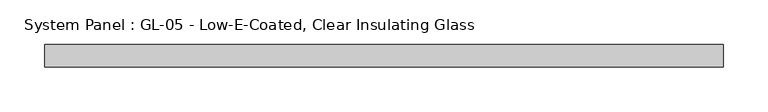
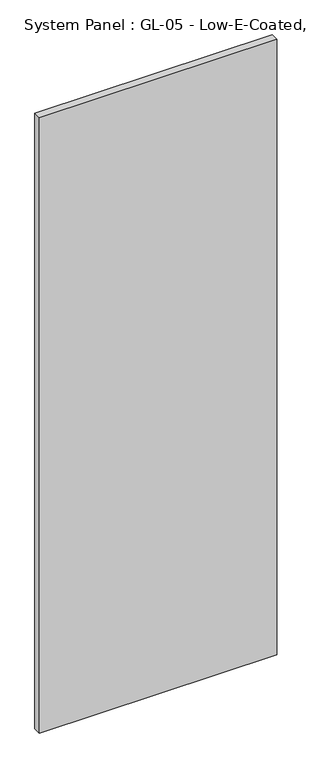
"""IFC4 building model written with IfcOpenShell, lengths in millimetres: plate geometry, System Panel : GL-05 - Low-E-Coated, Clear Insulating Glass."""

from ifc_helpers import new_model, si_unit, origin, origin_with_axes, place, context, project, spatial, polyline, outline, extrude, source, transform, mapped, element, save


def system_panel_gl_05_low_e_coated_clear_insulating_glass_d65ed855(model_context):
    return source(origin(), model_context, "Body", "SweptSolid", [
        extrude(outline(polyline([(381.0, -12.7), (-381.0, -12.7), (-381.0, 12.7), (381.0, 12.7), (381.0, -12.7)])), origin_with_axes(), (0.0, 0.0, 1.0), 2089.15),
    ])


if __name__ == "__main__":
    model = new_model("IFC4")
    model_context = context("Model", 3, world=origin())
    ifc_project = project(units=[si_unit("LENGTHUNIT", "METRE", prefix="MILLI")], contexts=[model_context])
    site = spatial("IfcSite", under=ifc_project)
    building = spatial("IfcBuilding", under=site)
    placement = place(None, origin())
    system_panel_gl_05_low_e_coated_clear_insulating_glass_shape = system_panel_gl_05_low_e_coated_clear_insulating_glass_d65ed855(model_context)
    element("IfcPlate", 1, ObjectType="System Panel : GL-05 - Low-E-Coated, Clear Insulating Glass", at=placement, inside=building, context=model_context, shape_type="MappedRepresentation", body=[
        mapped(system_panel_gl_05_low_e_coated_clear_insulating_glass_shape, transform((0.0, 0.0, 0.0), x_axis=(1.0, 0.0, 0.0), y_axis=(0.0, 1.0, 0.0), z_axis=(0.0, 0.0, 1.0))),
    ])
    save(model, "model.ifc")
